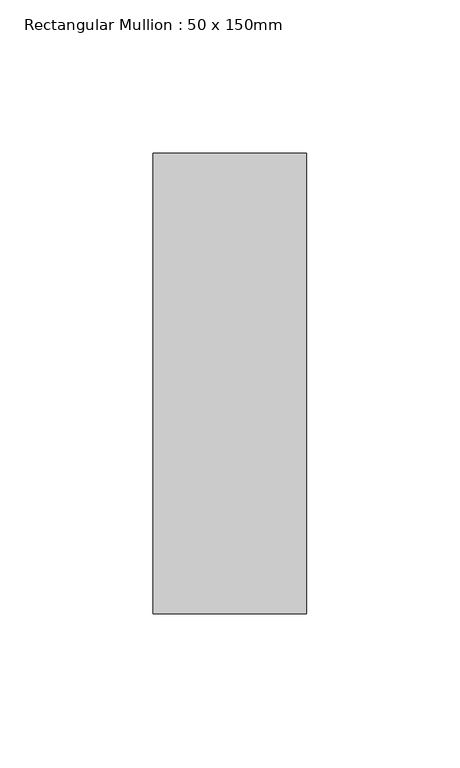
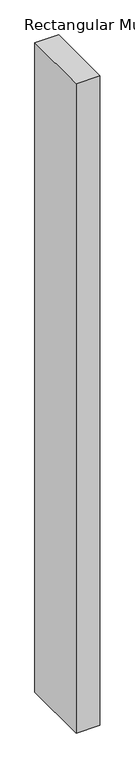
"""IFC4 building model written with IfcOpenShell, lengths in millimetres: member geometry, Rectangular Mullion : 50 x 150mm."""

from ifc_helpers import new_model, si_unit, frame, origin, place, context, project, spatial, polyline, outline, extrude, source, transform, mapped, element, save


def rectangular_mullion_50_x_150mm_adc6726c(model_context):
    return source(origin(), model_context, "Body", "SweptSolid", [
        extrude(outline(polyline([(25.0, 75.0), (25.0, -75.0), (-25.0, -75.0), (-25.0, 75.0), (25.0, 75.0)])), frame((0.0, 0.0, -1444.4444444), z_axis=(0.0, 0.0, 1.0), x_axis=(1.0, 0.0, 0.0)), (0.0, 0.0, 1.0), 1444.4444444),
    ])


if __name__ == "__main__":
    model = new_model("IFC4")
    model_context = context("Model", 3, world=origin())
    ifc_project = project(units=[si_unit("LENGTHUNIT", "METRE", prefix="MILLI")], contexts=[model_context])
    site = spatial("IfcSite", under=ifc_project)
    building = spatial("IfcBuilding", under=site)
    placement = place(None, origin())
    rectangular_mullion_50_x_150mm_shape = rectangular_mullion_50_x_150mm_adc6726c(model_context)
    element("IfcMember", 1, ObjectType="Rectangular Mullion : 50 x 150mm", at=placement, inside=building, context=model_context, shape_type="MappedRepresentation", body=[
        mapped(rectangular_mullion_50_x_150mm_shape, transform((0.0, 0.0, 0.0), x_axis=(1.0, 0.0, 0.0), y_axis=(0.0, 1.0, 0.0), z_axis=(0.0, 0.0, 1.0))),
    ])
    save(model, "model.ifc")
